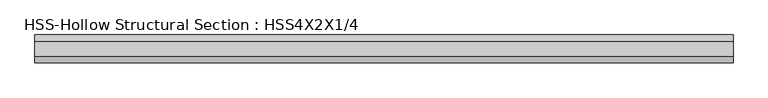
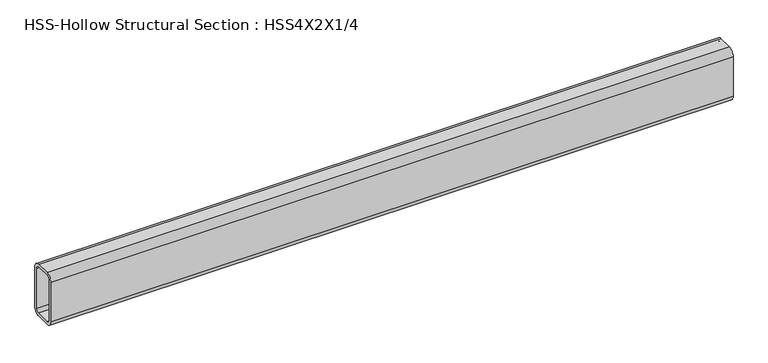
"""IFC4 building model written with IfcOpenShell, lengths in millimetres: beam geometry, HSS-Hollow Structural Section : HSS4X2X1/4."""

from ifc_helpers import new_model, si_unit, point, frame, frame_2d, origin, place, context, project, spatial, polyline, circle_curve, trimmed, segment, composite_curve, outline, extrude, source, transform, mapped, element, save


def hss_hollow_structural_section_hss4x2x1_4_e7414c48(model_context):
    return source(origin(), model_context, "Body", "SweptSolid", [
        extrude(outline(composite_curve([segment(polyline([(25.4, 38.9636), (25.4, -38.9636)]), True, "CONTINUOUS"), segment(trimmed(circle_curve(frame_2d((13.5636, -38.9636)), 11.8364), [point((25.4, -38.9636))], [point((13.5636, -50.8))], False, "CARTESIAN"), True, "CONTINUOUS"), segment(polyline([(13.5636, -50.8), (-13.5636, -50.8)]), True, "CONTINUOUS"), segment(trimmed(circle_curve(frame_2d((-13.5636, -38.9636)), 11.8364), [point((-13.5636, -50.8))], [point((-25.4, -38.9636))], False, "CARTESIAN"), True, "CONTINUOUS"), segment(polyline([(-25.4, -38.9636), (-25.4, 38.9636)]), True, "CONTINUOUS"), segment(trimmed(circle_curve(frame_2d((-13.5636, 38.9636)), 11.8364), [point((-25.4, 38.9636))], [point((-13.5636, 50.8))], False, "CARTESIAN"), True, "CONTINUOUS"), segment(polyline([(-13.5636, 50.8), (13.5636, 50.8)]), True, "CONTINUOUS"), segment(trimmed(circle_curve(frame_2d((13.5636, 38.9636)), 11.8364), [point((13.5636, 50.8))], [point((25.4, 38.9636))], False, "CARTESIAN"), True, "CONTINUOUS")], self_intersect=False), holes=[composite_curve([segment(trimmed(circle_curve(frame_2d((-13.5636, 38.9636)), 5.9182), [point((-13.5636, 44.8818))], [point((-19.4818, 38.9636))], True, "CARTESIAN"), True, "CONTINUOUS"), segment(polyline([(-19.4818, 38.9636), (-19.4818, -38.9636)]), True, "CONTINUOUS"), segment(trimmed(circle_curve(frame_2d((-13.5636, -38.9636)), 5.9182), [point((-19.4818, -38.9636))], [point((-13.5636, -44.8818))], True, "CARTESIAN"), True, "CONTINUOUS"), segment(polyline([(-13.5636, -44.8818), (13.5636, -44.8818)]), True, "CONTINUOUS"), segment(trimmed(circle_curve(frame_2d((13.5636, -38.9636)), 5.9182), [point((13.5636, -44.8818))], [point((19.4818, -38.9636))], True, "CARTESIAN"), True, "CONTINUOUS"), segment(polyline([(19.4818, -38.9636), (19.4818, 38.9636)]), True, "CONTINUOUS"), segment(trimmed(circle_curve(frame_2d((13.5636, 38.9636)), 5.9182), [point((19.4818, 38.9636))], [point((13.5636, 44.8818))], True, "CARTESIAN"), True, "CONTINUOUS"), segment(polyline([(13.5636, 44.8818), (-13.5636, 44.8818)]), True, "CONTINUOUS")], self_intersect=False)]), frame((-632.333, 0.0, 0.0), z_axis=(1.0, 0.0, 0.0), x_axis=(0.0, 1.0, 0.0)), (0.0, 0.0, 1.0), 1264.666),
    ])


if __name__ == "__main__":
    model = new_model("IFC4")
    model_context = context("Model", 3, world=origin())
    ifc_project = project(units=[si_unit("LENGTHUNIT", "METRE", prefix="MILLI")], contexts=[model_context])
    site = spatial("IfcSite", under=ifc_project)
    building = spatial("IfcBuilding", under=site)
    placement = place(None, origin())
    hss_hollow_structural_section_hss4x2x1_4_shape = hss_hollow_structural_section_hss4x2x1_4_e7414c48(model_context)
    element("IfcBeam", 1, ObjectType="HSS-Hollow Structural Section : HSS4X2X1/4", at=placement, inside=building, context=model_context, shape_type="MappedRepresentation", body=[
        mapped(hss_hollow_structural_section_hss4x2x1_4_shape, transform((0.0, 0.0, 0.0), x_axis=(1.0, 0.0, 0.0), y_axis=(0.0, 1.0, 0.0), z_axis=(0.0, 0.0, 1.0))),
    ])
    save(model, "model.ifc")
